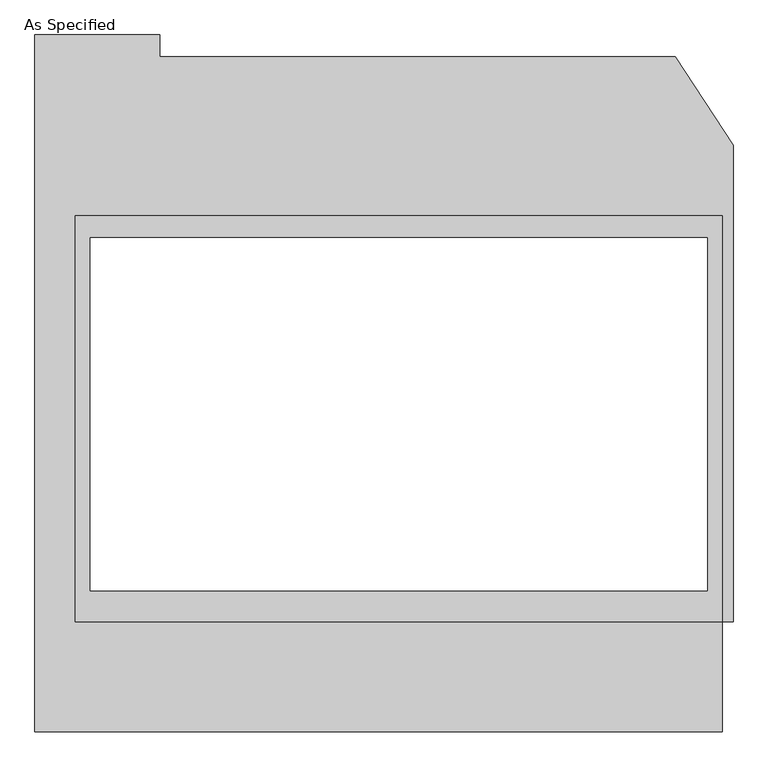
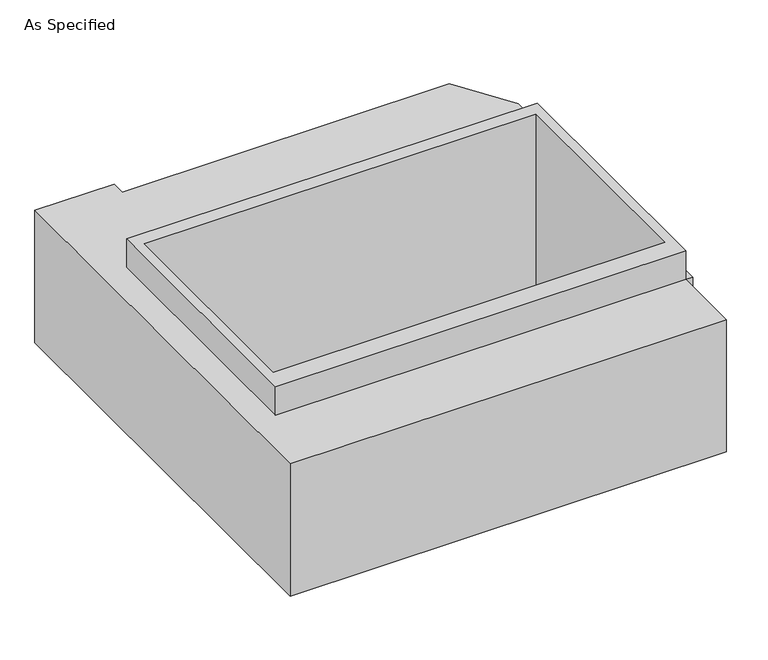
"""IFC4 building model written with IfcOpenShell, lengths in millimetres: proxy geometry, As Specified."""

from ifc_helpers import new_model, si_unit, origin, place, context, project, spatial, faceted_brep, source, transform, mapped, element, save


def as_specified_8c9b14ca(model_context):
    return source(origin(), model_context, "Body", "Brep", [
        faceted_brep([(1117.6, 617.8351562, 139.7), (-1117.6, 617.8351562, 139.7), (-1117.6, -785.5148438, 139.7), (1117.6, -785.5148438, 139.7), (-1066.8, 541.6748437, 139.7), (1066.8, 541.6748437, 139.7), (1066.8, -677.5251563, 139.7), (-1066.8, -677.5251563, 139.7), (1117.6, 617.8351562, -952.5), (1117.6, -785.5148438, -952.5), (-1117.6, -785.5148438, -952.5), (-1117.6, 617.8351562, -952.5), (-1066.8, 541.6748437, -952.5), (-1066.8, -677.5251563, -952.5), (1066.8, -677.5251563, -952.5), (1066.8, 541.6748437, -952.5), (1117.6, 617.8351562, -25.4), (-1117.6, 617.8351562, -25.4), (-1117.6, 617.8351562, -787.4), (1117.6, 617.8351562, -787.4), (-1117.6, -785.5148438, -25.4), (-1117.6, -785.5148438, -787.4), (1117.6, -785.5148438, -25.4), (1117.6, -785.5148438, -787.4), (1117.6, -1166.5148438, -787.4), (-1257.3, -1166.5148438, -787.4), (-1257.3, 1242.6751562, -787.4), (-826.089408, 1242.6751562, -787.4), (-826.089408, 1166.5148437, -787.4), (956.260123, 1166.5148437, -787.4), (1155.7, 862.0233299, -787.4), (1155.7, -785.5148438, -787.4), (1117.6, -1166.5148438, -25.4), (1155.7, -785.5148438, -25.4), (1155.7, 862.0233299, -25.4), (956.260123, 1166.5148437, -25.4), (-826.089408, 1166.5148437, -25.4), (-826.089408, 1242.6751562, -25.4), (-1257.3, 1242.6751562, -25.4), (-1257.3, -1166.5148438, -25.4)], [[[0, 1, 2, 3], [4, 5, 6, 7]], [[8, 9, 10, 11], [12, 13, 14, 15]], [[1, 0, 16, 17]], [[8, 11, 18, 19]], [[2, 1, 17, 20]], [[11, 10, 21, 18]], [[3, 2, 20, 22]], [[10, 9, 23, 21]], [[0, 3, 22, 16]], [[9, 8, 19, 23]], [[5, 4, 12, 15]], [[6, 5, 15, 14]], [[7, 6, 14, 13]], [[4, 7, 13, 12]], [[23, 24, 25, 26, 27, 28, 29, 30, 31, 23, 19, 18, 21]], [[32, 22, 20, 17, 16, 22, 33, 34, 35, 36, 37, 38, 39]], [[35, 29, 28, 36]], [[31, 33, 22, 23]], [[33, 31, 30, 34]], [[24, 23, 22, 32]], [[24, 32, 39, 25]], [[30, 29, 35, 34]], [[26, 25, 39, 38]], [[28, 27, 37, 36]], [[27, 26, 38, 37]]]),
    ])


if __name__ == "__main__":
    model = new_model("IFC4")
    model_context = context("Model", 3, world=origin())
    ifc_project = project(units=[si_unit("LENGTHUNIT", "METRE", prefix="MILLI")], contexts=[model_context])
    site = spatial("IfcSite", under=ifc_project)
    building = spatial("IfcBuilding", under=site)
    placement = place(None, origin())
    as_specified_shape = as_specified_8c9b14ca(model_context)
    element("IfcBuildingElementProxy", 1, Name="As Specified", ObjectType="As Specified", at=placement, inside=building, context=model_context, shape_type="MappedRepresentation", body=[
        mapped(as_specified_shape, transform((0.0, 0.0, 0.0), x_axis=(1.0, 0.0, 0.0), y_axis=(0.0, 1.0, 0.0), z_axis=(0.0, 0.0, 1.0))),
    ])
    save(model, "model.ifc")
